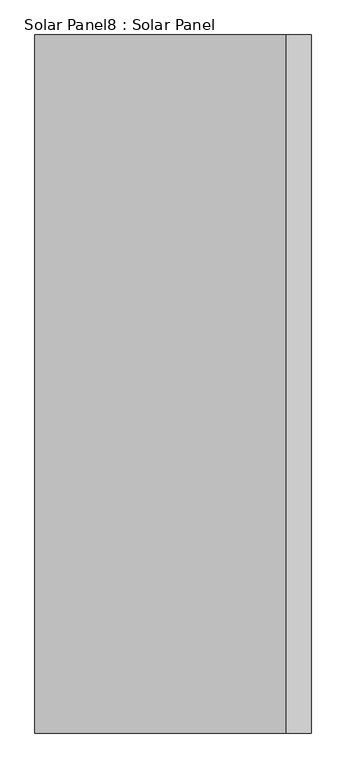
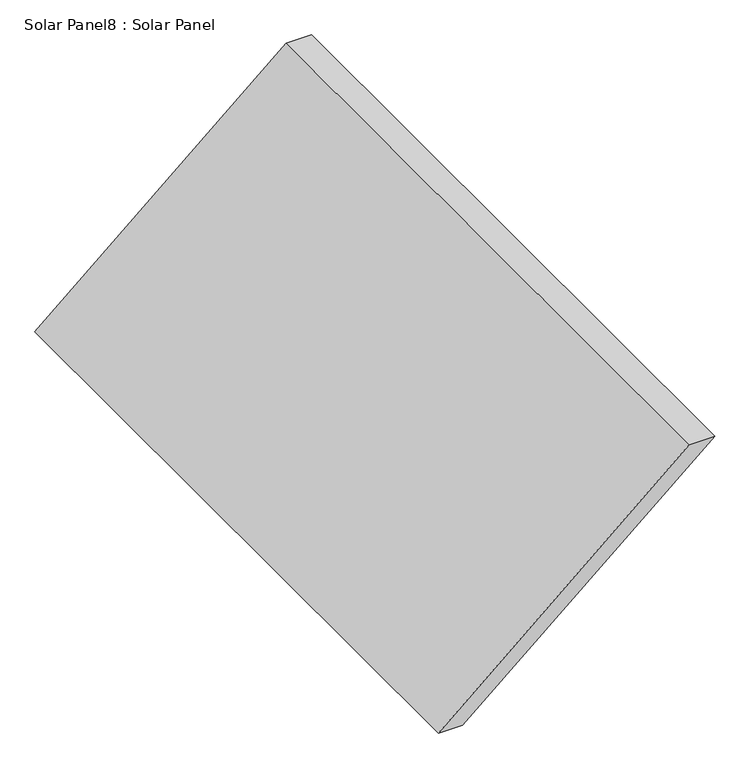
"""IFC4 building model written with IfcOpenShell, lengths in millimetres: air terminal geometry, Solar Panel8 : Solar Panel."""

from ifc_helpers import new_model, si_unit, frame, origin, place, context, project, spatial, polyline, outline, extrude, source, transform, mapped, element, save


def solar_panel8_solar_panel_2355e6f4(model_context):
    return source(origin(), model_context, "Body", "SweptSolid", [
        extrude(outline(polyline([(5700.0, 25094.3403553), (5700.0, 25194.3403553), (6600.0, 26241.2567874), (6600.0, 26135.3393037), (5700.0, 25094.3403553)])), frame((0.0, 4937.5745962, 0.0), z_axis=(0.0, 1.0, 0.0), x_axis=(0.0, 0.0, 1.0)), (0.0, 0.0, 1.0), 2900.0),
    ])


if __name__ == "__main__":
    model = new_model("IFC4")
    model_context = context("Model", 3, world=origin())
    ifc_project = project(units=[si_unit("LENGTHUNIT", "METRE", prefix="MILLI")], contexts=[model_context])
    site = spatial("IfcSite", under=ifc_project)
    building = spatial("IfcBuilding", under=site)
    placement = place(None, origin())
    solar_panel8_solar_panel_shape = solar_panel8_solar_panel_2355e6f4(model_context)
    element("IfcAirTerminal", 1, ObjectType="Solar Panel8 : Solar Panel", at=placement, inside=building, context=model_context, shape_type="MappedRepresentation", body=[
        mapped(solar_panel8_solar_panel_shape, transform((0.0, 0.0, 0.0), x_axis=(1.0, 0.0, 0.0), y_axis=(0.0, 1.0, 0.0), z_axis=(0.0, 0.0, 1.0))),
    ])
    save(model, "model.ifc")
